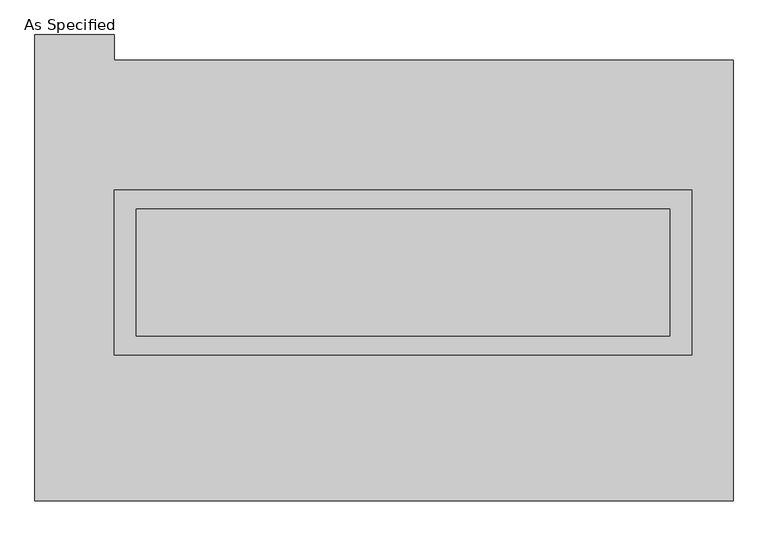
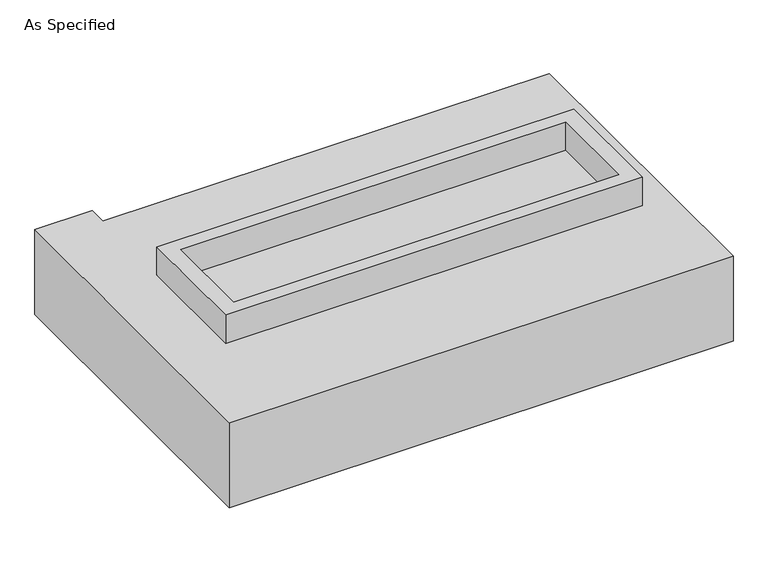
"""IFC4 building model written with IfcOpenShell, lengths in millimetres: proxy geometry, As Specified."""

from ifc_helpers import new_model, si_unit, frame, origin, place, context, project, spatial, polyline, outline, extrude, source, transform, mapped, element, save


def as_specified_f363afa8(model_context):
    return source(origin(), model_context, "Body", "SweptSolid", [
        extrude(outline(polyline([(1155.7, 361.95), (1155.7, -298.45), (-1155.7, -298.45), (-1155.7, 361.95), (1155.7, 361.95)]), holes=[polyline([(1066.8, 285.75), (-1066.8, 285.75), (-1066.8, -222.25), (1066.8, -222.25), (1066.8, 285.75)])]), frame((0.0, 0.0, -688.975), z_axis=(0.0, 0.0, 1.0), x_axis=(1.0, 0.0, 0.0)), (0.0, 0.0, 1.0), 165.1),
        extrude(outline(polyline([(1155.7, 361.95), (1155.7, -298.45), (-1155.7, -298.45), (-1155.7, 361.95), (1155.7, 361.95)]), holes=[polyline([(1066.8, 285.75), (-1066.8, 285.75), (-1066.8, -222.25), (1066.8, -222.25), (1066.8, 285.75)])]), frame((0.0, 0.0, -25.4), z_axis=(0.0, 0.0, 1.0), x_axis=(1.0, 0.0, 0.0)), (0.0, 0.0, 1.0), 165.1),
        extrude(outline(polyline([(1066.8, 285.75), (1066.8, -222.25), (-1066.8, -222.25), (-1066.8, 285.75), (1066.8, 285.75)])), frame((0.0, 0.0, -523.875), z_axis=(0.0, 0.0, 1.0), x_axis=(1.0, 0.0, 0.0)), (0.0, 0.0, 1.0), 4.9609375),
        extrude(outline(polyline([(1066.8, 285.75), (1066.8, -222.25), (-1066.8, -222.25), (-1066.8, 285.75), (1066.8, 285.75)])), frame((0.0, 0.0, -30.3609375), z_axis=(0.0, 0.0, 1.0), x_axis=(1.0, 0.0, 0.0)), (0.0, 0.0, 1.0), 4.9609375),
        extrude(outline(polyline([(1320.8, -882.65), (-1473.2, -882.65), (-1473.2, 984.25), (-1155.7, 984.25), (-1155.7, 882.65), (1320.8, 882.65), (1320.8, -882.65)]), holes=[polyline([(-1155.7, 361.95), (-1155.7, -298.45), (1155.7, -298.45), (1155.7, 361.95), (-1155.7, 361.95)])]), frame((0.0, 0.0, -523.875), z_axis=(0.0, 0.0, 1.0), x_axis=(1.0, 0.0, 0.0)), (0.0, 0.0, 1.0), 498.475),
    ])


if __name__ == "__main__":
    model = new_model("IFC4")
    model_context = context("Model", 3, world=origin())
    ifc_project = project(units=[si_unit("LENGTHUNIT", "METRE", prefix="MILLI")], contexts=[model_context])
    site = spatial("IfcSite", under=ifc_project)
    building = spatial("IfcBuilding", under=site)
    placement = place(None, origin())
    as_specified_shape = as_specified_f363afa8(model_context)
    element("IfcBuildingElementProxy", 1, Name="As Specified", ObjectType="As Specified", at=placement, inside=building, context=model_context, shape_type="MappedRepresentation", body=[
        mapped(as_specified_shape, transform((0.0, 0.0, 0.0), x_axis=(1.0, 0.0, 0.0), y_axis=(0.0, 1.0, 0.0), z_axis=(0.0, 0.0, 1.0))),
    ])
    save(model, "model.ifc")
